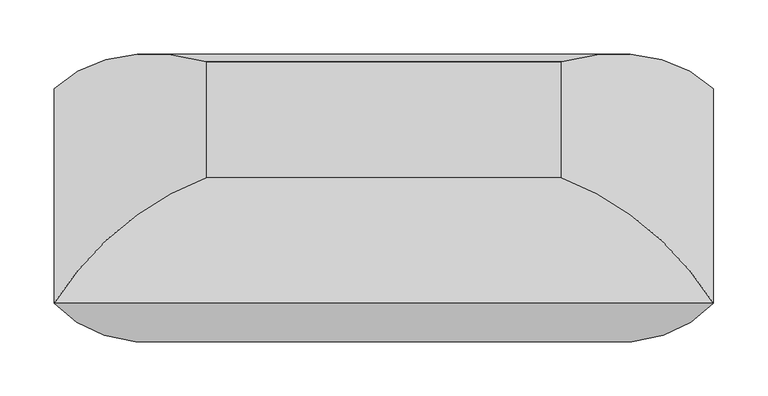
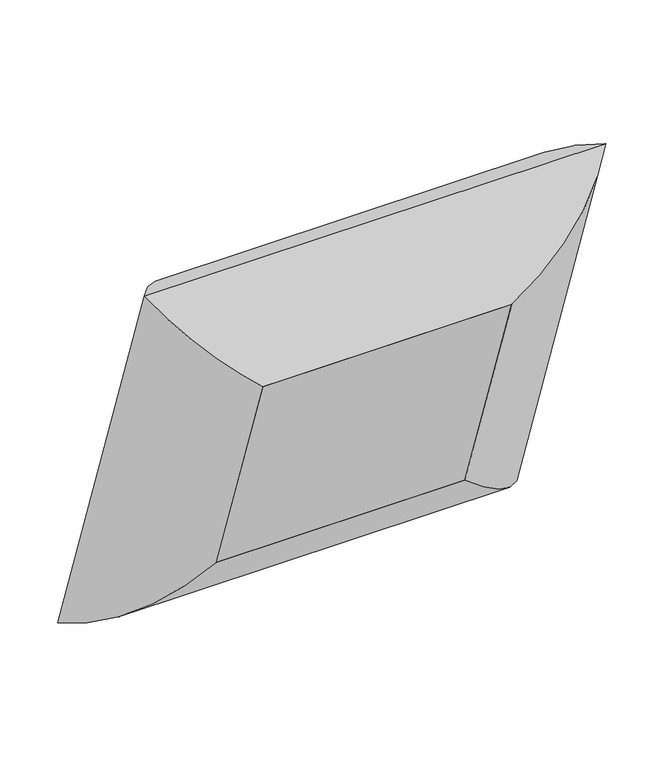
"""IFC4 building model written with IfcOpenShell, lengths in millimetres: furniture geometry."""

import ifcopenshell
import ifcopenshell.guid

model = None  # the IFC model being written
_history = None  # IfcOwnerHistory: only IFC2X3 demands one
_inside = {}  # id of a spatial element -> (the spatial element, [elements in it])
_under = {}  # id of a project, library or spatial element -> (it, [spatial elements below it])
_declared = {}  # id of a project -> (the project, [libraries it declares])
_typed = {}  # id of a type object -> (the type object, [elements of that type])
_made_of = {}  # id of a material, layer set ... -> (it, [elements and type objects made of it])


def new_model(schema):
    """Start an empty IFC model of exactly this schema.

    Asked for "IFC4X3", IfcOpenShell would pick the latest addendum, in which some entities
    have other attributes; the version numbers below select the first issue.
    IFC2X3 requires an IfcOwnerHistory on every rooted entity: one is made here for all.
    """
    global model, _history
    if schema == "IFC4X3":
        model = ifcopenshell.file(schema_version=(4, 3, 0, 0))
    else:
        model = ifcopenshell.file(schema=schema)
    _inside.clear()
    _under.clear()
    _declared.clear()
    _typed.clear()
    _made_of.clear()
    _history = None
    if model.schema == "IFC2X3":
        org = make("IfcOrganization", Name="unknown")
        user = make(
            "IfcPersonAndOrganization",
            ThePerson=make("IfcPerson", FamilyName="unknown"),
            TheOrganization=org,
        )
        app = make(
            "IfcApplication",
            ApplicationDeveloper=org,
            Version="unknown",
            ApplicationFullName="unknown",
            ApplicationIdentifier="unknown",
        )
        _history = make(
            "IfcOwnerHistory",
            OwningUser=user,
            OwningApplication=app,
            ChangeAction="ADDED",
            CreationDate=0,
        )
    return model


def make(cls, **values):
    """One entity of the class cls with the attributes given. An attribute that is None is left unset."""
    return model.create_entity(
        cls, **{name: value for name, value in values.items() if value is not None}
    )


def rooted(cls, **values):
    """An entity with a GlobalId (a new one), such as an element, a storey or a relation."""
    return make(cls, GlobalId=ifcopenshell.guid.new(), OwnerHistory=_history, **values)


def si_unit(unit_type, name, prefix=None):
    """IfcSIUnit, for example si_unit("LENGTHUNIT", "METRE", prefix="MILLI")."""
    return make("IfcSIUnit", UnitType=unit_type, Prefix=prefix, Name=name)


def assignment(units):
    """IfcUnitAssignment: the units of a project."""
    return None if units is None else make("IfcUnitAssignment", Units=units)


def point(xyz):
    """IfcCartesianPoint."""
    return None if xyz is None else make("IfcCartesianPoint", Coordinates=xyz)


def direction(xyz):
    """IfcDirection."""
    return None if xyz is None else make("IfcDirection", DirectionRatios=xyz)


def frame(location, z_axis=None, x_axis=None):
    """IfcAxis2Placement3D, a coordinate frame: its origin and axes. An axis left out is left unset."""
    return make(
        "IfcAxis2Placement3D",
        Location=point(location),
        Axis=direction(z_axis),
        RefDirection=direction(x_axis),
    )


def origin():
    """The frame at (0, 0, 0) with its axes left unset."""
    return frame((0.0, 0.0, 0.0))


def place(relative_to, where):
    """IfcLocalPlacement: puts the frame where relative to a parent placement (None: the world)."""
    return make(
        "IfcLocalPlacement", PlacementRelTo=relative_to, RelativePlacement=where
    )


def context(
    kind, dimensions, precision=None, world=None, true_north=None, identifier=None
):
    """IfcGeometricRepresentationContext, for example the 3D "Model" context."""
    return make(
        "IfcGeometricRepresentationContext",
        ContextIdentifier=identifier,
        ContextType=kind,
        CoordinateSpaceDimension=dimensions,
        Precision=precision,
        WorldCoordinateSystem=world,
        TrueNorth=true_north,
    )


def project(units=None, contexts=None):
    """IfcProject with its units and contexts."""
    return rooted(
        "IfcProject",
        Name="project",
        RepresentationContexts=contexts,
        UnitsInContext=assignment(units),
    )


def spatial(cls, under=None, at=None, **own):
    """A site, building, storey or space (cls), placed at a placement, below another one or the project."""
    s = rooted(cls, ObjectPlacement=at, **own)
    if under is not None:
        _under.setdefault(under.id(), (under, []))[1].append(s)
    return s


def polyline(points):
    """IfcPolyline through the points."""
    return make("IfcPolyline", Points=[point(p) for p in points])


def ellipse_curve(where, semi_axis1, semi_axis2):
    """IfcEllipse in the frame where."""
    return make(
        "IfcEllipse", Position=where, SemiAxis1=semi_axis1, SemiAxis2=semi_axis2
    )


def outline(outer, holes=None, kind="AREA"):
    """IfcArbitraryClosedProfileDef: a profile drawn as a closed curve; with holes, ...WithVoids."""
    if holes is None:
        return make("IfcArbitraryClosedProfileDef", ProfileType=kind, OuterCurve=outer)
    return make(
        "IfcArbitraryProfileDefWithVoids",
        ProfileType=kind,
        OuterCurve=outer,
        InnerCurves=holes,
    )


def extrude(swept, where, along, depth):
    """IfcExtrudedAreaSolid: the profile swept, set in the frame where, extruded along a direction by depth."""
    return make(
        "IfcExtrudedAreaSolid",
        SweptArea=swept,
        Position=where,
        ExtrudedDirection=direction(along),
        Depth=depth,
    )


def shape(context_of_items, identifier, shape_type, items):
    """IfcShapeRepresentation: the items that make up one representation, for example the "Body"."""
    return make(
        "IfcShapeRepresentation",
        ContextOfItems=context_of_items,
        RepresentationIdentifier=identifier,
        RepresentationType=shape_type,
        Items=items,
    )


def source(mapping_origin, context_of_items, identifier, shape_type, items):
    """IfcRepresentationMap: a shape defined once, which mapped items show again and again."""
    return make(
        "IfcRepresentationMap",
        MappingOrigin=mapping_origin,
        MappedRepresentation=shape(context_of_items, identifier, shape_type, items),
    )


def transform(
    local_origin,
    x_axis=None,
    y_axis=None,
    z_axis=None,
    scale=None,
    scale2=None,
    scale3=None,
    uniform=True,
):
    """IfcCartesianTransformationOperator3D, or its non-uniform kind. x_axis, y_axis, z_axis: its Axis1, 2, 3."""
    if uniform:
        return make(
            "IfcCartesianTransformationOperator3D",
            Axis1=direction(x_axis),
            Axis2=direction(y_axis),
            LocalOrigin=point(local_origin),
            Scale=scale,
            Axis3=direction(z_axis),
        )
    return make(
        "IfcCartesianTransformationOperator3DnonUniform",
        Axis1=direction(x_axis),
        Axis2=direction(y_axis),
        LocalOrigin=point(local_origin),
        Scale=scale,
        Axis3=direction(z_axis),
        Scale2=scale2,
        Scale3=scale3,
    )


def mapped(mapping_source, mapping_target):
    """IfcMappedItem: shows the shape of a source again, moved by a transform."""
    return make(
        "IfcMappedItem", MappingSource=mapping_source, MappingTarget=mapping_target
    )


def made_of(thing, what):
    """Note that an element or type object is made of a material, layer set ...; save() writes the relation."""
    if what is not None:
        _made_of.setdefault(what.id(), (what, []))[1].append(thing)
    return thing


def element(
    cls,
    number,
    at=None,
    inside=None,
    cuts=None,
    type_object=None,
    material=None,
    context=None,
    identifier="Body",
    shape_type=None,
    held_by="IfcProductDefinitionShape",
    body=None,
    shapes=None,
    **own,
):
    """One element of the class cls, such as IfcWall. Its Tag is "e" and its number.

    at: its placement. inside: the storey or other place that contains it. cuts: it is an
    opening in that element (IfcRelVoidsElement). A single representation is given by context,
    identifier, shape_type and body (its items); several are given by shapes. held_by: the class
    of the entity that holds the representations. save() writes the other relations.
    """
    e = rooted(cls, Tag="e%d" % number, ObjectPlacement=at, **own)
    if body is not None:
        shapes = [shape(context, identifier, shape_type, body)]
    if shapes is not None:
        e.Representation = make(held_by, Representations=shapes)
    if inside is not None:
        _inside.setdefault(inside.id(), (inside, []))[1].append(e)
    if cuts is not None:
        rooted(
            "IfcRelVoidsElement", RelatingBuildingElement=cuts, RelatedOpeningElement=e
        )
    if type_object is not None:
        _typed.setdefault(type_object.id(), (type_object, []))[1].append(e)
    return made_of(e, material)


def aggregate(whole, parts):
    """IfcRelAggregates: a whole, such as a stair, and the parts it consists of."""
    return rooted("IfcRelAggregates", RelatingObject=whole, RelatedObjects=parts)


def save(model, path):
    """Write the relations noted so far, then the file.

    IfcRelAggregates (storeys below a building ...), IfcRelContainedInSpatialStructure (elements
    in a storey), IfcRelDefinesByType, IfcRelAssociatesMaterial and IfcRelDeclares: one each for
    every whole, place, type object, material and project.
    """
    for whole, parts in _under.values():
        aggregate(whole, parts)
    for where, things in _inside.values():
        rooted(
            "IfcRelContainedInSpatialStructure",
            RelatedElements=things,
            RelatingStructure=where,
        )
    for kind, things in _typed.values():
        rooted("IfcRelDefinesByType", RelatedObjects=things, RelatingType=kind)
    for what, things in _made_of.values():
        rooted("IfcRelAssociatesMaterial", RelatedObjects=things, RelatingMaterial=what)
    for by, libraries in _declared.values():
        rooted("IfcRelDeclares", RelatingContext=by, RelatedDefinitions=libraries)
    model.write(path)


def plane_surface(at):
    """IfcPlane: the flat surface through the origin of the frame at, square to its z axis."""
    return make("IfcPlane", Position=at)


def cylinder_surface(at, radius):
    """IfcCylindricalSurface: all points at the distance radius from the z axis of the frame at."""
    return make("IfcCylindricalSurface", Position=at, Radius=radius)


def advanced_brep(points, edges, surfaces, faces):
    """IfcAdvancedBrep: a solid bounded by faces that lie on surfaces and meet in shared edges.

    An edge is (start, end): straight between two places in points (the first is 0);
    or (start, end, curve); or (start, end, curve, False) where it runs against its curve.
    A face is (place in surfaces, loops), or (place, loops, False) where it looks against
    its surface's normal. A loop lists edges by number (the first is 1), with a minus sign
    where the edge is run from its end to its start. The first loop is the outer one.
    """
    corners = [point(p) for p in points]
    vertices = [make("IfcVertexPoint", VertexGeometry=c) for c in corners]
    made = []
    for start, end, *more in edges:
        made.append(
            make(
                "IfcEdgeCurve",
                EdgeStart=vertices[start],
                EdgeEnd=vertices[end],
                EdgeGeometry=more[0] if more else make("IfcPolyline", Points=[corners[start], corners[end]]),
                SameSense=more[1] if len(more) > 1 else True,
            )
        )
    hull = []
    for where, loops, *sense in faces:
        bounds = []
        for j, loop in enumerate(loops):
            ring = [make("IfcOrientedEdge", EdgeElement=made[abs(k) - 1], Orientation=k > 0) for k in loop]
            bounds.append(
                make(
                    "IfcFaceOuterBound" if j == 0 else "IfcFaceBound",
                    Bound=make("IfcEdgeLoop", EdgeList=ring),
                    Orientation=True,
                )
            )
        hull.append(make("IfcAdvancedFace", Bounds=bounds, FaceSurface=surfaces[where], SameSense=sense[0] if sense else True))
    return make("IfcAdvancedBrep", Outer=make("IfcClosedShell", CfsFaces=hull))


def furniture_74f75aae(model_context):
    return source(origin(), model_context, "Body", "SolidModel", [
        advanced_brep(
        [(-164.30625, -226.2488248, 849.6881603), (-304.4741804, -198.254194, 1007.5719867), (-304.4741804, 0.0, 431.8), (-164.30625, -119.2630596, 538.9789373), (-164.30625, -82.1517938, 899.304747), (-164.30625, 24.8339713, 588.5955241), (304.4741804, 0.0, 431.8), (164.30625, -119.2630596, 538.9789373), (164.30625, 24.8339713, 588.5955241), (304.4741804, -198.254194, 1007.5719867), (164.30625, -226.2488248, 849.6881603), (164.30625, -82.1517938, 899.304747)],
        [
            (0, 1, ellipse_curve(frame((-159.526504, -60.4657345, 901.7166978), z_axis=(-0.7071067811865476, 0.2302114497550402, -0.6685825965441238), x_axis=(-0.7071067811865475, -0.23021144975504026, 0.6685825965441239)), 245.7274984, 173.7555804)),
            (1, 2),
            (2, 3, ellipse_curve(frame((-159.526504, 43.4077645, 600.0461521), z_axis=(-0.7071067811865472, -0.23021144975504026, 0.668582596544124), x_axis=(0.7071067811865476, -0.23021144975504015, 0.6685825965441236)), 245.7274984, 173.7555804)),
            (3, 0),
            (4, 0),
            (3, 5),
            (5, 4),
            (1, 4, ellipse_curve(frame((-155.1179464, -255.3613157, 829.9461858), z_axis=(-0.7071067811865476, 0.2302114497550402, -0.6685825965441238), x_axis=(-0.7071067811865475, -0.23021144975504026, 0.6685825965441239)), 263.8641638, 186.5801395)),
            (5, 2, ellipse_curve(frame((-155.1179464, -154.3583886, 536.6123863), z_axis=(-0.7071067811865472, -0.23021144975504026, 0.668582596544124), x_axis=(0.7071067811865476, -0.23021144975504015, 0.6685825965441236)), 263.8641638, 186.5801395)),
            (2, 6),
            (6, 7, ellipse_curve(frame((159.526504, 43.4077645, 600.0461521), z_axis=(-0.7071067811865477, 0.23021144975504026, -0.6685825965441236), x_axis=(-0.7071067811865474, -0.23021144975504026, 0.6685825965441239)), 245.7274984, 173.7555804)),
            (7, 3),
            (7, 8),
            (8, 5),
            (8, 6, ellipse_curve(frame((155.1179464, -154.3583886, 536.6123863), z_axis=(-0.7071067811865477, 0.23021144975504026, -0.6685825965441236), x_axis=(-0.7071067811865474, -0.23021144975504026, 0.6685825965441239)), 263.8641638, 186.5801395)),
            (6, 9),
            (9, 10, ellipse_curve(frame((159.526504, -60.4657345, 901.7166978), z_axis=(0.7071067811865474, 0.23021144975504035, -0.6685825965441238), x_axis=(-0.7071067811865475, 0.23021144975504026, -0.6685825965441238)), 245.7274984, 173.7555804)),
            (10, 7),
            (10, 11),
            (11, 8),
            (11, 9, ellipse_curve(frame((155.1179464, -255.3613157, 829.9461858), z_axis=(0.7071067811865474, 0.23021144975504035, -0.6685825965441238), x_axis=(-0.7071067811865475, 0.23021144975504026, -0.6685825965441238)), 263.8641638, 186.5801395)),
            (9, 1),
            (0, 10),
            (4, 11),
        ],
        [
            cylinder_surface(frame((-159.526504, -62.0218676, 906.2360364), z_axis=(0.0, -0.3255681544571502, 0.945518575599319), x_axis=(0.0, -0.945518575599319, -0.3255681544571502)), 173.7555804),
            plane_surface(frame((-164.30625, -226.2488248, 849.6881603), z_axis=(1.0, 0.0, 0.0), x_axis=(0.0, 0.3255681544571505, -0.945518575599319))),
            cylinder_surface(frame((-155.1179464, -258.3527347, 838.6338976), z_axis=(0.0, -0.3255681544571502, 0.945518575599319), x_axis=(0.0, -0.945518575599319, -0.3255681544571502)), 186.5801395),
            cylinder_surface(frame((-164.30625, 43.4077645, 600.0461521), z_axis=(-0.9999999999999999, 0.0, 0.0), x_axis=(0.0, -0.9455185755993188, -0.32556815445715065)), 173.7555804),
            plane_surface(frame((-164.30625, -119.2630596, 538.9789373), z_axis=(0.0, -0.3255681544571506, 0.9455185755993191), x_axis=(1.0, 0.0, 0.0))),
            cylinder_surface(frame((-164.30625, -154.3583886, 536.6123863), z_axis=(-0.9999999999999999, 0.0, 0.0), x_axis=(0.0, -0.9455185755993188, -0.32556815445715065)), 186.5801395),
            cylinder_surface(frame((159.526504, 44.9638976, 595.5268135), z_axis=(0.0, 0.32556815445715037, -0.9455185755993191), x_axis=(0.0, -0.9455185755993191, -0.32556815445715037)), 173.7555804),
            plane_surface(frame((164.30625, -119.2630596, 538.9789373), z_axis=(-1.0, 0.0, 0.0), x_axis=(0.0, -0.32556815445715026, 0.9455185755993191))),
            cylinder_surface(frame((155.1179464, -151.3669696, 527.9246746), z_axis=(0.0, 0.32556815445715037, -0.9455185755993191), x_axis=(0.0, -0.9455185755993191, -0.32556815445715037)), 186.5801395),
            cylinder_surface(frame((164.30625, -60.4657345, 901.7166978), z_axis=(1.0, 0.0, 0.0), x_axis=(0.0, -0.9455185755993191, -0.3255681544571499)), 173.7555804),
            plane_surface(frame((164.30625, -226.2488248, 849.6881603), z_axis=(0.0, 0.32556815445715015, -0.9455185755993192), x_axis=(-1.0, 0.0, 0.0))),
            cylinder_surface(frame((164.30625, -255.3613157, 829.9461858), z_axis=(1.0, 0.0, 0.0), x_axis=(0.0, -0.9455185755993191, -0.3255681544571499)), 186.5801395),
        ],
        [
            (0, [[1, 2, 3, 4]]),
            (1, [[5, -4, 6, 7]]),
            (2, [[8, -7, 9, -2]]),
            (3, [[-3, 10, 11, 12]]),
            (4, [[-6, -12, 13, 14]]),
            (5, [[-9, -14, 15, -10]]),
            (6, [[-11, 16, 17, 18]]),
            (7, [[-13, -18, 19, 20]]),
            (8, [[-15, -20, 21, -16]]),
            (9, [[-17, 22, -1, 23]]),
            (10, [[-19, -23, -5, 24]]),
            (11, [[-21, -24, -8, -22]]),
        ],
    ),
        extrude(outline(polyline([(0.0, -328.6125), (0.0, 0.0), (152.4, 0.0), (152.4, -328.6125), (0.0, -328.6125)])), frame((-164.30625, -119.2630596, 538.9789373), z_axis=(0.0, -0.3255681544571504, 0.9455185755993191), x_axis=(0.0, 0.9455185755993191, 0.3255681544571504)), (0.0, 0.0, 1.0), 328.6125),
    ])


if __name__ == "__main__":
    model = new_model("IFC4")
    model_context = context("Model", 3, world=origin())
    ifc_project = project(units=[si_unit("LENGTHUNIT", "METRE", prefix="MILLI")], contexts=[model_context])
    site = spatial("IfcSite", under=ifc_project)
    building = spatial("IfcBuilding", under=site)
    placement = place(None, origin())
    furniture_shape = furniture_74f75aae(model_context)
    element("IfcFurniture", 1, at=placement, inside=building, context=model_context, shape_type="MappedRepresentation", body=[
        mapped(furniture_shape, transform((0.0, 0.0, 0.0), x_axis=(1.0, 0.0, 0.0), y_axis=(0.0, 1.0, 0.0), z_axis=(0.0, 0.0, 1.0))),
    ])
    save(model, "model.ifc")
